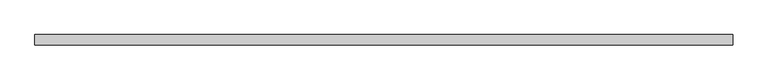
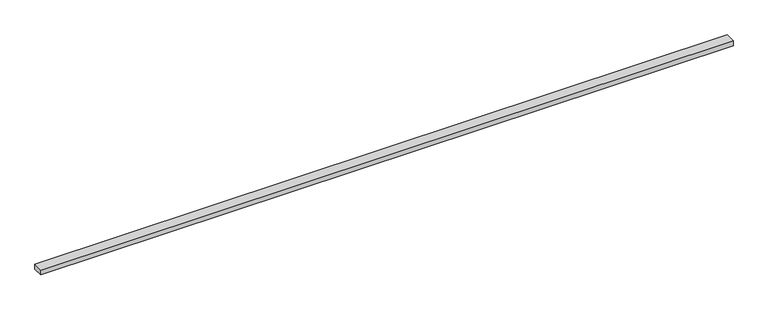
"""IFC4 building model written with IfcOpenShell, lengths in millimetres: beam geometry."""

import ifcopenshell
import ifcopenshell.guid

model = None  # the IFC model being written
_history = None  # IfcOwnerHistory: only IFC2X3 demands one
_inside = {}  # id of a spatial element -> (the spatial element, [elements in it])
_under = {}  # id of a project, library or spatial element -> (it, [spatial elements below it])
_declared = {}  # id of a project -> (the project, [libraries it declares])
_typed = {}  # id of a type object -> (the type object, [elements of that type])
_made_of = {}  # id of a material, layer set ... -> (it, [elements and type objects made of it])


def new_model(schema):
    """Start an empty IFC model of exactly this schema.

    Asked for "IFC4X3", IfcOpenShell would pick the latest addendum, in which some entities
    have other attributes; the version numbers below select the first issue.
    IFC2X3 requires an IfcOwnerHistory on every rooted entity: one is made here for all.
    """
    global model, _history
    if schema == "IFC4X3":
        model = ifcopenshell.file(schema_version=(4, 3, 0, 0))
    else:
        model = ifcopenshell.file(schema=schema)
    _inside.clear()
    _under.clear()
    _declared.clear()
    _typed.clear()
    _made_of.clear()
    _history = None
    if model.schema == "IFC2X3":
        org = make("IfcOrganization", Name="unknown")
        user = make(
            "IfcPersonAndOrganization",
            ThePerson=make("IfcPerson", FamilyName="unknown"),
            TheOrganization=org,
        )
        app = make(
            "IfcApplication",
            ApplicationDeveloper=org,
            Version="unknown",
            ApplicationFullName="unknown",
            ApplicationIdentifier="unknown",
        )
        _history = make(
            "IfcOwnerHistory",
            OwningUser=user,
            OwningApplication=app,
            ChangeAction="ADDED",
            CreationDate=0,
        )
    return model


def make(cls, **values):
    """One entity of the class cls with the attributes given. An attribute that is None is left unset."""
    return model.create_entity(
        cls, **{name: value for name, value in values.items() if value is not None}
    )


def rooted(cls, **values):
    """An entity with a GlobalId (a new one), such as an element, a storey or a relation."""
    return make(cls, GlobalId=ifcopenshell.guid.new(), OwnerHistory=_history, **values)


def si_unit(unit_type, name, prefix=None):
    """IfcSIUnit, for example si_unit("LENGTHUNIT", "METRE", prefix="MILLI")."""
    return make("IfcSIUnit", UnitType=unit_type, Prefix=prefix, Name=name)


def assignment(units):
    """IfcUnitAssignment: the units of a project."""
    return None if units is None else make("IfcUnitAssignment", Units=units)


def point(xyz):
    """IfcCartesianPoint."""
    return None if xyz is None else make("IfcCartesianPoint", Coordinates=xyz)


def direction(xyz):
    """IfcDirection."""
    return None if xyz is None else make("IfcDirection", DirectionRatios=xyz)


def frame(location, z_axis=None, x_axis=None):
    """IfcAxis2Placement3D, a coordinate frame: its origin and axes. An axis left out is left unset."""
    return make(
        "IfcAxis2Placement3D",
        Location=point(location),
        Axis=direction(z_axis),
        RefDirection=direction(x_axis),
    )


def origin():
    """The frame at (0, 0, 0) with its axes left unset."""
    return frame((0.0, 0.0, 0.0))


def place(relative_to, where):
    """IfcLocalPlacement: puts the frame where relative to a parent placement (None: the world)."""
    return make(
        "IfcLocalPlacement", PlacementRelTo=relative_to, RelativePlacement=where
    )


def context(
    kind, dimensions, precision=None, world=None, true_north=None, identifier=None
):
    """IfcGeometricRepresentationContext, for example the 3D "Model" context."""
    return make(
        "IfcGeometricRepresentationContext",
        ContextIdentifier=identifier,
        ContextType=kind,
        CoordinateSpaceDimension=dimensions,
        Precision=precision,
        WorldCoordinateSystem=world,
        TrueNorth=true_north,
    )


def project(units=None, contexts=None):
    """IfcProject with its units and contexts."""
    return rooted(
        "IfcProject",
        Name="project",
        RepresentationContexts=contexts,
        UnitsInContext=assignment(units),
    )


def spatial(cls, under=None, at=None, **own):
    """A site, building, storey or space (cls), placed at a placement, below another one or the project."""
    s = rooted(cls, ObjectPlacement=at, **own)
    if under is not None:
        _under.setdefault(under.id(), (under, []))[1].append(s)
    return s


def polyline(points):
    """IfcPolyline through the points."""
    return make("IfcPolyline", Points=[point(p) for p in points])


def outline(outer, holes=None, kind="AREA"):
    """IfcArbitraryClosedProfileDef: a profile drawn as a closed curve; with holes, ...WithVoids."""
    if holes is None:
        return make("IfcArbitraryClosedProfileDef", ProfileType=kind, OuterCurve=outer)
    return make(
        "IfcArbitraryProfileDefWithVoids",
        ProfileType=kind,
        OuterCurve=outer,
        InnerCurves=holes,
    )


def extrude(swept, where, along, depth):
    """IfcExtrudedAreaSolid: the profile swept, set in the frame where, extruded along a direction by depth."""
    return make(
        "IfcExtrudedAreaSolid",
        SweptArea=swept,
        Position=where,
        ExtrudedDirection=direction(along),
        Depth=depth,
    )


def shape(context_of_items, identifier, shape_type, items):
    """IfcShapeRepresentation: the items that make up one representation, for example the "Body"."""
    return make(
        "IfcShapeRepresentation",
        ContextOfItems=context_of_items,
        RepresentationIdentifier=identifier,
        RepresentationType=shape_type,
        Items=items,
    )


def source(mapping_origin, context_of_items, identifier, shape_type, items):
    """IfcRepresentationMap: a shape defined once, which mapped items show again and again."""
    return make(
        "IfcRepresentationMap",
        MappingOrigin=mapping_origin,
        MappedRepresentation=shape(context_of_items, identifier, shape_type, items),
    )


def transform(
    local_origin,
    x_axis=None,
    y_axis=None,
    z_axis=None,
    scale=None,
    scale2=None,
    scale3=None,
    uniform=True,
):
    """IfcCartesianTransformationOperator3D, or its non-uniform kind. x_axis, y_axis, z_axis: its Axis1, 2, 3."""
    if uniform:
        return make(
            "IfcCartesianTransformationOperator3D",
            Axis1=direction(x_axis),
            Axis2=direction(y_axis),
            LocalOrigin=point(local_origin),
            Scale=scale,
            Axis3=direction(z_axis),
        )
    return make(
        "IfcCartesianTransformationOperator3DnonUniform",
        Axis1=direction(x_axis),
        Axis2=direction(y_axis),
        LocalOrigin=point(local_origin),
        Scale=scale,
        Axis3=direction(z_axis),
        Scale2=scale2,
        Scale3=scale3,
    )


def mapped(mapping_source, mapping_target):
    """IfcMappedItem: shows the shape of a source again, moved by a transform."""
    return make(
        "IfcMappedItem", MappingSource=mapping_source, MappingTarget=mapping_target
    )


def made_of(thing, what):
    """Note that an element or type object is made of a material, layer set ...; save() writes the relation."""
    if what is not None:
        _made_of.setdefault(what.id(), (what, []))[1].append(thing)
    return thing


def element(
    cls,
    number,
    at=None,
    inside=None,
    cuts=None,
    type_object=None,
    material=None,
    context=None,
    identifier="Body",
    shape_type=None,
    held_by="IfcProductDefinitionShape",
    body=None,
    shapes=None,
    **own,
):
    """One element of the class cls, such as IfcWall. Its Tag is "e" and its number.

    at: its placement. inside: the storey or other place that contains it. cuts: it is an
    opening in that element (IfcRelVoidsElement). A single representation is given by context,
    identifier, shape_type and body (its items); several are given by shapes. held_by: the class
    of the entity that holds the representations. save() writes the other relations.
    """
    e = rooted(cls, Tag="e%d" % number, ObjectPlacement=at, **own)
    if body is not None:
        shapes = [shape(context, identifier, shape_type, body)]
    if shapes is not None:
        e.Representation = make(held_by, Representations=shapes)
    if inside is not None:
        _inside.setdefault(inside.id(), (inside, []))[1].append(e)
    if cuts is not None:
        rooted(
            "IfcRelVoidsElement", RelatingBuildingElement=cuts, RelatedOpeningElement=e
        )
    if type_object is not None:
        _typed.setdefault(type_object.id(), (type_object, []))[1].append(e)
    return made_of(e, material)


def aggregate(whole, parts):
    """IfcRelAggregates: a whole, such as a stair, and the parts it consists of."""
    return rooted("IfcRelAggregates", RelatingObject=whole, RelatedObjects=parts)


def save(model, path):
    """Write the relations noted so far, then the file.

    IfcRelAggregates (storeys below a building ...), IfcRelContainedInSpatialStructure (elements
    in a storey), IfcRelDefinesByType, IfcRelAssociatesMaterial and IfcRelDeclares: one each for
    every whole, place, type object, material and project.
    """
    for whole, parts in _under.values():
        aggregate(whole, parts)
    for where, things in _inside.values():
        rooted(
            "IfcRelContainedInSpatialStructure",
            RelatedElements=things,
            RelatingStructure=where,
        )
    for kind, things in _typed.values():
        rooted("IfcRelDefinesByType", RelatedObjects=things, RelatingType=kind)
    for what, things in _made_of.values():
        rooted("IfcRelAssociatesMaterial", RelatedObjects=things, RelatingMaterial=what)
    for by, libraries in _declared.values():
        rooted("IfcRelDeclares", RelatingContext=by, RelatedDefinitions=libraries)
    model.write(path)


def beam_f54e788b(model_context):
    return source(origin(), model_context, "Body", "SweptSolid", [
        extrude(outline(polyline([(1000.0, 15.0), (1000.0, -15.0), (-1000.0, -15.0), (-1000.0, 15.0), (1000.0, 15.0)])), frame((0.0, 0.0, -7.5), z_axis=(0.0, 0.0, 1.0), x_axis=(1.0, 0.0, 0.0)), (0.0, 0.0, 1.0), 15.0),
    ])


if __name__ == "__main__":
    model = new_model("IFC4")
    model_context = context("Model", 3, world=origin())
    ifc_project = project(units=[si_unit("LENGTHUNIT", "METRE", prefix="MILLI")], contexts=[model_context])
    site = spatial("IfcSite", under=ifc_project)
    building = spatial("IfcBuilding", under=site)
    placement = place(None, origin())
    beam_shape = beam_f54e788b(model_context)
    element("IfcBeam", 1, at=placement, inside=building, context=model_context, shape_type="MappedRepresentation", body=[
        mapped(beam_shape, transform((0.0, 0.0, 0.0), x_axis=(1.0, 0.0, 0.0), y_axis=(0.0, 1.0, 0.0), z_axis=(0.0, 0.0, 1.0))),
    ])
    save(model, "model.ifc")
